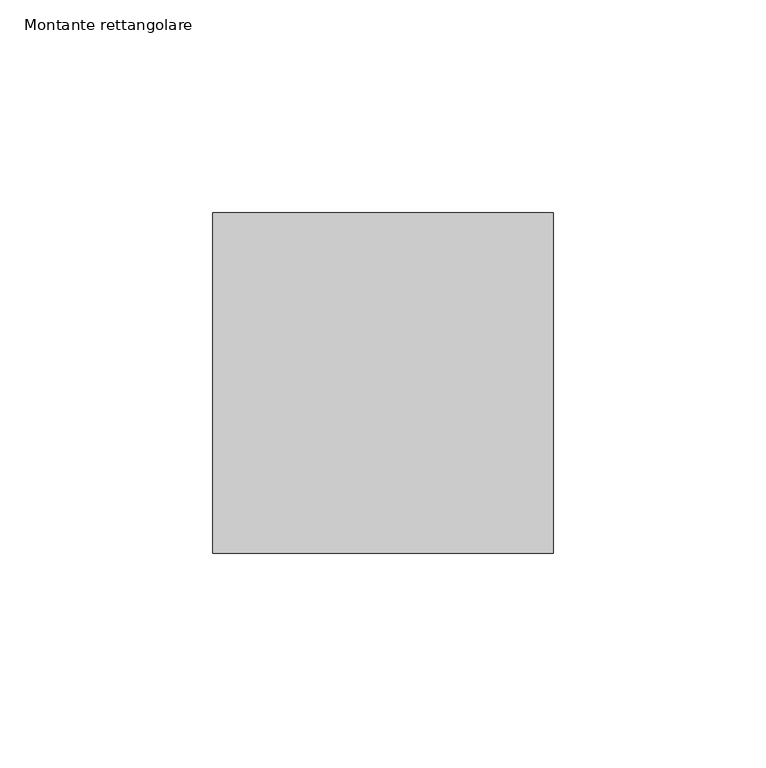
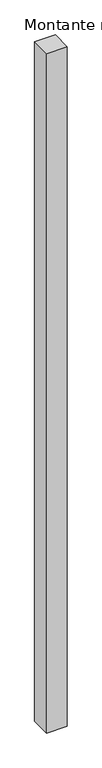
"""IFC4 building model written with IfcOpenShell, lengths in millimetres: member geometry, Montante rettangolare."""

from ifc_helpers import new_model, si_unit, frame, origin, place, context, project, spatial, polyline, outline, extrude, source, transform, mapped, element, save


def montante_rettangolare_56a140ac(model_context):
    return source(origin(), model_context, "Body", "SweptSolid", [
        extrude(outline(polyline([(0.0, 40.0), (0.0, -40.0), (-80.0, -40.0), (-80.0, 40.0), (0.0, 40.0)])), frame((0.0, 0.0, -2785.881251), z_axis=(0.0, 0.0, 1.0), x_axis=(1.0, 0.0, 0.0)), (0.0, 0.0, 1.0), 2785.881251),
    ])


if __name__ == "__main__":
    model = new_model("IFC4")
    model_context = context("Model", 3, world=origin())
    ifc_project = project(units=[si_unit("LENGTHUNIT", "METRE", prefix="MILLI")], contexts=[model_context])
    site = spatial("IfcSite", under=ifc_project)
    building = spatial("IfcBuilding", under=site)
    placement = place(None, origin())
    montante_rettangolare_shape = montante_rettangolare_56a140ac(model_context)
    element("IfcMember", 1, ObjectType="Montante rettangolare", at=placement, inside=building, context=model_context, shape_type="MappedRepresentation", body=[
        mapped(montante_rettangolare_shape, transform((0.0, 0.0, 0.0), x_axis=(1.0, 0.0, 0.0), y_axis=(0.0, 1.0, 0.0), z_axis=(0.0, 0.0, 1.0))),
    ])
    save(model, "model.ifc")
